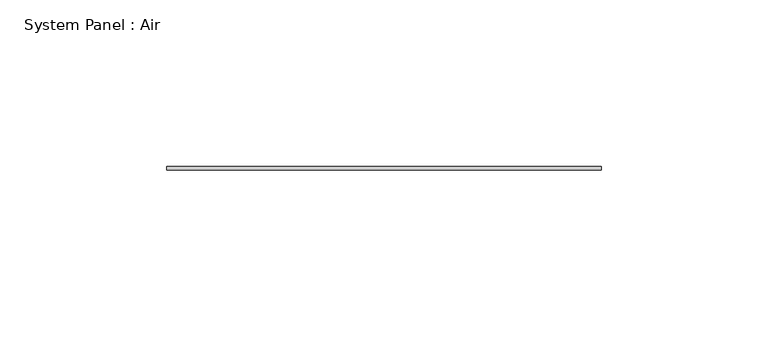
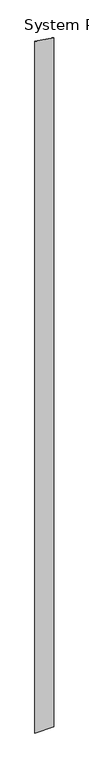
"""IFC4 building model written with IfcOpenShell, lengths in millimetres: plate geometry, System Panel : Air."""

from ifc_helpers import new_model, si_unit, frame, origin, place, context, project, spatial, polyline, outline, extrude, source, transform, mapped, element, save


def system_panel_air_43d05762(model_context):
    return source(origin(), model_context, "Body", "SweptSolid", [
        extrude(outline(polyline([(0.0, -65.0), (0.0, 65.0), (5029.5704374, 65.0), (5048.802224, -65.0), (0.0, -65.0)])), frame((0.0, 36.5, 0.0), z_axis=(0.0, 1.0, 0.0), x_axis=(0.0, 0.0, 1.0)), (0.0, 0.0, 1.0), 1.0),
    ])


if __name__ == "__main__":
    model = new_model("IFC4")
    model_context = context("Model", 3, world=origin())
    ifc_project = project(units=[si_unit("LENGTHUNIT", "METRE", prefix="MILLI")], contexts=[model_context])
    site = spatial("IfcSite", under=ifc_project)
    building = spatial("IfcBuilding", under=site)
    placement = place(None, origin())
    system_panel_air_shape = system_panel_air_43d05762(model_context)
    element("IfcPlate", 1, ObjectType="System Panel : Air", at=placement, inside=building, context=model_context, shape_type="MappedRepresentation", body=[
        mapped(system_panel_air_shape, transform((0.0, 0.0, 0.0), x_axis=(1.0, 0.0, 0.0), y_axis=(0.0, 1.0, 0.0), z_axis=(0.0, 0.0, 1.0))),
    ])
    save(model, "model.ifc")
